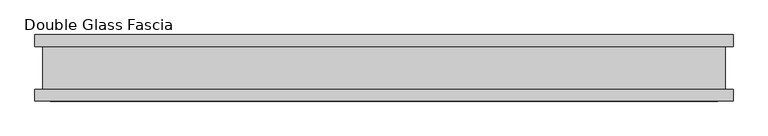
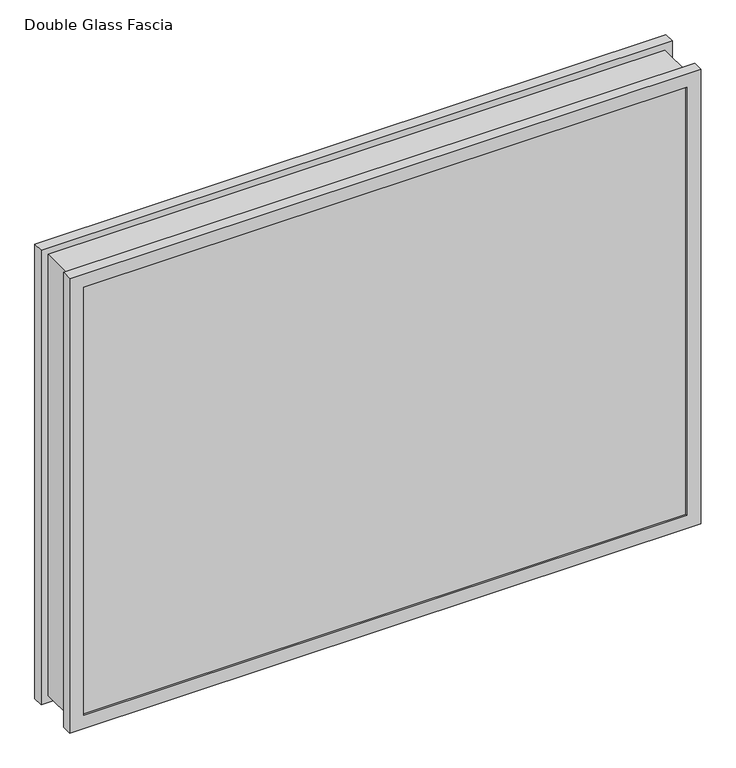
"""IFC4 building model written with IfcOpenShell, lengths in millimetres: proxy geometry, Double Glass Fascia."""

from ifc_helpers import new_model, si_unit, frame, origin, place, context, project, spatial, polyline, outline, extrude, faceted_brep, source, transform, mapped, element, save


def double_glass_fascia_f5135b43(model_context):
    return source(origin(), model_context, "Body", "SolidModel", [
        faceted_brep([(513.3140848, -32.4352299, 790.575885), (513.3140848, -32.4352299, 15.0359151), (513.3140848, 32.4352299, 15.0359151), (513.3140848, 32.4352299, 790.575885), (-513.3140848, -32.4352299, 15.0359151), (-513.3140848, 32.4352299, 15.0359151), (-513.3140848, -32.4352299, 790.575885), (-513.3140848, 32.4352299, 790.575885), (502.1371999, 38.8962152, 779.3990001), (502.1371999, 38.8962152, 26.2128), (502.1371999, -38.8962152, 26.2128), (502.1371999, -38.8962152, 779.3990001), (518.8718392, 47.1322551, 796.1336393), (518.8718392, 47.1322551, 9.4781608), (518.8718392, 38.8962152, 9.4781608), (518.8718392, 38.8962152, 796.1336393), (501.9593999, 50.0558594, 779.2212001), (501.9593999, 50.0558594, 26.3906), (501.9593999, 47.1322551, 26.3906), (501.9593999, 47.1322551, 779.2212001), (525.1749999, 32.4352299, 802.4368001), (525.1749999, 32.4352299, 3.175), (525.1749999, 50.0558594, 3.175), (525.1749999, 50.0558594, 802.4368001), (-502.1371999, 38.8962152, 26.2128), (-502.1371999, -38.8962152, 26.2128), (-518.8718392, 47.1322551, 9.4781608), (-518.8718392, 38.8962152, 9.4781608), (-501.9593999, 50.0558594, 26.3906), (-501.9593999, 47.1322551, 26.3906), (-525.1749999, 32.4352299, 3.175), (-525.1749999, 50.0558594, 3.175), (-502.1371999, 38.8962152, 779.3990001), (-502.1371999, -38.8962152, 779.3990001), (-518.8718392, 47.1322551, 796.1336393), (-518.8718392, 38.8962152, 796.1336393), (-501.9593999, 50.0558594, 779.2212001), (-501.9593999, 47.1322551, 779.2212001), (-525.1749999, 32.4352299, 802.4368001), (-525.1749999, 50.0558594, 802.4368001), (525.1749999, -50.0558594, 802.4368001), (525.1749999, -50.0558594, 3.175), (525.1749999, -32.4352299, 3.175), (525.1749999, -32.4352299, 802.4368001), (502.1371999, -47.1322551, 779.3990001), (502.1371999, -47.1322551, 26.2128), (502.1371999, -50.0558594, 26.2128), (502.1371999, -50.0558594, 779.3990001), (518.8718392, -38.8962152, 796.1336393), (518.8718392, -38.8962152, 9.4781608), (518.8718392, -47.1322551, 9.4781608), (518.8718392, -47.1322551, 796.1336393), (-525.1749999, -50.0558594, 3.175), (-525.1749999, -32.4352299, 3.175), (-502.1371999, -47.1322551, 26.2128), (-502.1371999, -50.0558594, 26.2128), (-518.8718392, -38.8962152, 9.4781608), (-518.8718392, -47.1322551, 9.4781608), (-525.1749999, -50.0558594, 802.4368001), (-525.1749999, -32.4352299, 802.4368001), (-502.1371999, -47.1322551, 779.3990001), (-502.1371999, -50.0558594, 779.3990001), (-518.8718392, -38.8962152, 796.1336393), (-518.8718392, -47.1322551, 796.1336393)], [[[0, 1, 2, 3]], [[1, 4, 5, 2]], [[4, 6, 7, 5]], [[6, 0, 3, 7]], [[8, 9, 10, 11]], [[12, 13, 14, 15]], [[16, 17, 18, 19]], [[20, 21, 22, 23]], [[9, 24, 25, 10]], [[13, 26, 27, 14]], [[17, 28, 29, 18]], [[21, 30, 31, 22]], [[24, 32, 33, 25]], [[26, 34, 35, 27]], [[28, 36, 37, 29]], [[30, 38, 39, 31]], [[32, 8, 11, 33]], [[15, 14, 27, 35], [9, 8, 32, 24]], [[34, 12, 15, 35]], [[13, 12, 34, 26], [19, 18, 29, 37]], [[36, 16, 19, 37]], [[23, 22, 31, 39], [17, 16, 36, 28]], [[38, 20, 23, 39]], [[21, 20, 38, 30], [3, 2, 5, 7]], [[40, 41, 42, 43]], [[44, 45, 46, 47]], [[48, 49, 50, 51]], [[41, 52, 53, 42]], [[45, 54, 55, 46]], [[49, 56, 57, 50]], [[52, 58, 59, 53]], [[54, 60, 61, 55]], [[56, 62, 63, 57]], [[43, 42, 53, 59], [1, 0, 6, 4]], [[58, 40, 43, 59]], [[41, 40, 58, 52], [47, 46, 55, 61]], [[60, 44, 47, 61]], [[51, 50, 57, 63], [45, 44, 60, 54]], [[62, 48, 51, 63]], [[49, 48, 62, 56], [11, 10, 25, 33]]]),
        extrude(outline(polyline([(514.35, 40.9277344), (-514.35, 40.9277344), (-514.35, 46.8808594), (514.35, 46.8808594), (514.35, 40.9277344)])), frame((0.0, 0.0, 5.3275263), z_axis=(0.0, 0.0, 1.0), x_axis=(1.0, 0.0, 0.0)), (0.0, 0.0, 1.0), 794.4627281),
        extrude(outline(polyline([(514.35, -41.1791301), (514.35, -47.1322551), (-514.35, -47.1322551), (-514.35, -41.1791301), (514.35, -41.1791301)])), frame((0.0, 0.0, 5.3275263), z_axis=(0.0, 0.0, 1.0), x_axis=(1.0, 0.0, 0.0)), (0.0, 0.0, 1.0), 794.4627281),
    ])


if __name__ == "__main__":
    model = new_model("IFC4")
    model_context = context("Model", 3, world=origin())
    ifc_project = project(units=[si_unit("LENGTHUNIT", "METRE", prefix="MILLI")], contexts=[model_context])
    site = spatial("IfcSite", under=ifc_project)
    building = spatial("IfcBuilding", under=site)
    placement = place(None, origin())
    double_glass_fascia_shape = double_glass_fascia_f5135b43(model_context)
    element("IfcBuildingElementProxy", 1, Name="Double Glass Fascia", ObjectType="Double Glass Fascia", at=placement, inside=building, context=model_context, shape_type="MappedRepresentation", body=[
        mapped(double_glass_fascia_shape, transform((0.0, 0.0, 0.0), x_axis=(1.0, 0.0, 0.0), y_axis=(0.0, 1.0, 0.0), z_axis=(0.0, 0.0, 1.0))),
    ])
    save(model, "model.ifc")
